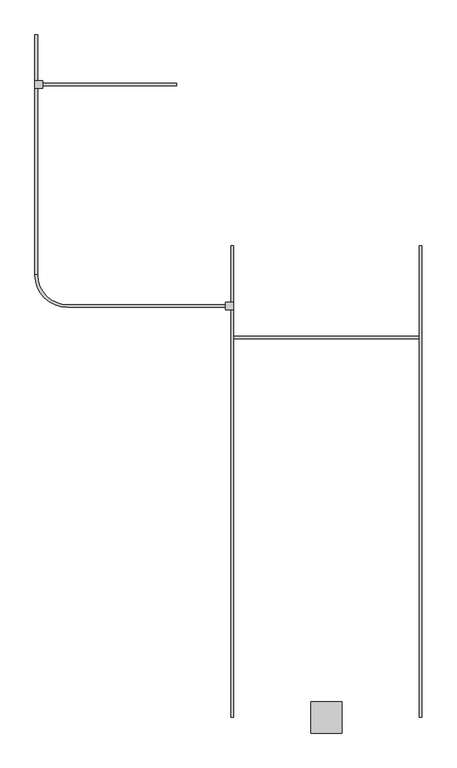
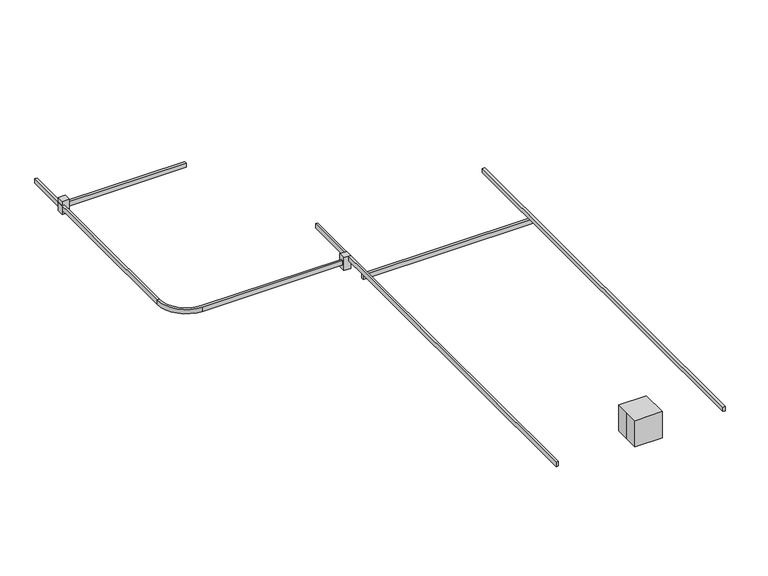
"""IFC4 building model written with IfcOpenShell, lengths in millimetres: proxy geometry."""

from ifc_helpers import new_model, si_unit, point, frame, frame_2d, origin, origin_with_axes, place, context, project, spatial, polyline, circle_curve, trimmed, segment, composite_curve, outline, extrude, source, transform, mapped, element, save


def specialty_equipment_a2c2a7e4(model_context):
    return source(origin(), model_context, "Body", "SweptSolid", [
        extrude(outline(polyline([(-2764.3700201, 6197.4296487), (-2764.3700201, 6121.2296487), (-2840.5700201, 6121.2296487), (-2840.5700201, 6197.4296487), (-2764.3700201, 6197.4296487)])), frame((0.0, 0.0, -152.4), z_axis=(0.0, 0.0, 1.0), x_axis=(1.0, 0.0, 0.0)), (0.0, 0.0, 1.0), 152.4),
        extrude(outline(polyline([(-2764.3700201, 6172.0296487), (-1459.7331803, 6172.0296487), (-1459.7331803, 6146.6296487), (-2764.3700201, 6146.6296487), (-2764.3700201, 6172.0296487)])), frame((0.0, 0.0, -101.6), z_axis=(0.0, 0.0, 1.0), x_axis=(1.0, 0.0, 0.0)), (0.0, 0.0, 1.0), 50.8),
        extrude(outline(composite_curve([segment(polyline([(-981.9601068, 3990.7467818), (-2523.0700201, 3990.7467818)]), True, "CONTINUOUS"), segment(trimmed(circle_curve(frame_2d((-2523.0700201, 4308.2467818)), 317.5), [point((-2523.0700201, 3990.7467818))], [point((-2840.5700201, 4308.2467818))], False, "CARTESIAN"), True, "CONTINUOUS"), segment(polyline([(-2840.5700201, 4308.2467818), (-2815.1700201, 4308.2467818)]), True, "CONTINUOUS"), segment(trimmed(circle_curve(frame_2d((-2523.0700201, 4308.2467818)), 292.1), [point((-2815.1700201, 4308.2467818))], [point((-2523.0700201, 4016.1467818))], True, "CARTESIAN"), True, "CONTINUOUS"), segment(polyline([(-2523.0700201, 4016.1467818), (-981.9601068, 4016.1467818), (-981.9601068, 3990.7467818)]), True, "CONTINUOUS")], self_intersect=False)), frame((0.0, 0.0, -101.6), z_axis=(0.0, 0.0, 1.0), x_axis=(1.0, 0.0, 0.0)), (0.0, 0.0, 1.0), 50.8),
        extrude(outline(polyline([(-2840.5700201, 4308.2467818), (-2840.5700201, 6641.9296487), (-2815.1700201, 6641.9296487), (-2815.1700201, 4308.2467818), (-2840.5700201, 4308.2467818)])), frame((0.0, 0.0, -101.6), z_axis=(0.0, 0.0, 1.0), x_axis=(1.0, 0.0, 0.0)), (0.0, 0.0, 1.0), 50.8),
        extrude(outline(polyline([(-981.9601068, 3965.3467818), (-981.9601068, 4041.5467818), (-905.7601068, 4041.5467818), (-905.7601068, 3965.3467818), (-981.9601068, 3965.3467818)])), frame((0.0, 0.0, -152.4), z_axis=(0.0, 0.0, 1.0), x_axis=(1.0, 0.0, 0.0)), (0.0, 0.0, 1.0), 152.4),
        extrude(outline(polyline([(-905.7601068, 4590.2007106), (-905.7601068, 0.0), (-931.1601068, 0.0), (-931.1601068, 4590.2007106), (-905.7601068, 4590.2007106)])), frame((0.0, 0.0, -50.8), z_axis=(0.0, 0.0, 1.0), x_axis=(1.0, 0.0, 0.0)), (0.0, 0.0, 1.0), 50.8),
        extrude(outline(polyline([(931.1601068, 3685.9467818), (-931.1601068, 3685.9467818), (-931.1601068, 3711.3467818), (931.1601068, 3711.3467818), (931.1601068, 3685.9467818)])), frame((0.0, 0.0, -101.6), z_axis=(0.0, 0.0, 1.0), x_axis=(1.0, 0.0, 0.0)), (0.0, 0.0, 1.0), 50.8),
        extrude(outline(polyline([(931.1601068, 4590.2007106), (931.1601068, 0.0), (905.7601068, 0.0), (905.7601068, 4590.2007106), (931.1601068, 4590.2007106)])), frame((0.0, 0.0, -50.8), z_axis=(0.0, 0.0, 1.0), x_axis=(1.0, 0.0, 0.0)), (0.0, 0.0, 1.0), 50.8),
        extrude(outline(polyline([(-152.4, -152.4), (-152.4, 0.0), (-152.4, 152.4), (152.4, 152.4), (152.4, -152.4), (-152.4, -152.4)])), origin_with_axes(), (0.0, 0.0, 1.0), 304.8),
    ])


if __name__ == "__main__":
    model = new_model("IFC4")
    model_context = context("Model", 3, world=origin())
    ifc_project = project(units=[si_unit("LENGTHUNIT", "METRE", prefix="MILLI")], contexts=[model_context])
    site = spatial("IfcSite", under=ifc_project)
    building = spatial("IfcBuilding", under=site)
    placement = place(None, origin())
    specialty_equipment_shape = specialty_equipment_a2c2a7e4(model_context)
    element("IfcBuildingElementProxy", 1, Name="Specialty Equipment", at=placement, inside=building, context=model_context, shape_type="MappedRepresentation", body=[
        mapped(specialty_equipment_shape, transform((0.0, 0.0, 0.0), x_axis=(1.0, 0.0, 0.0), y_axis=(0.0, 1.0, 0.0), z_axis=(0.0, 0.0, 1.0))),
    ])
    save(model, "model.ifc")
